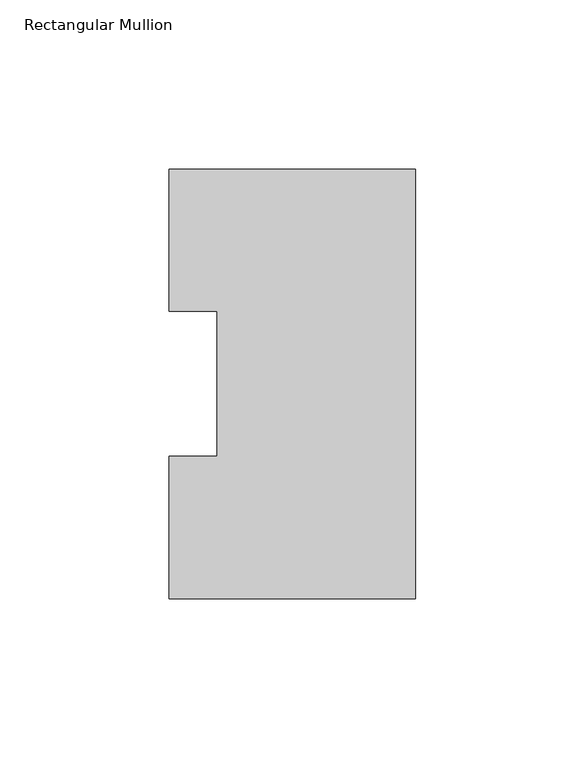
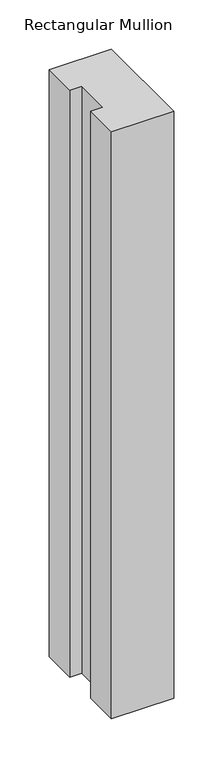
"""IFC4 building model written with IfcOpenShell, lengths in millimetres: member geometry, Rectangular Mullion."""

from ifc_helpers import new_model, si_unit, frame, origin, place, context, project, spatial, polyline, outline, extrude, source, transform, mapped, element, save


def rectangular_mullion_7aefb100(model_context):
    return source(origin(), model_context, "Body", "SweptSolid", [
        extrude(outline(polyline([(0.0, 127.006348), (0.0, 0.0063465), (-73.025, 0.0063465), (-73.025, 42.0814491), (-58.7375, 42.0814491), (-58.7375, 84.93125), (-73.025, 84.93125), (-73.025, 127.006348), (0.0, 127.006348)])), frame((0.0, 0.0, -730.21825), z_axis=(0.0, 0.0, 1.0), x_axis=(1.0, 0.0, 0.0)), (0.0, 0.0, 1.0), 730.21825),
    ])


if __name__ == "__main__":
    model = new_model("IFC4")
    model_context = context("Model", 3, world=origin())
    ifc_project = project(units=[si_unit("LENGTHUNIT", "METRE", prefix="MILLI")], contexts=[model_context])
    site = spatial("IfcSite", under=ifc_project)
    building = spatial("IfcBuilding", under=site)
    placement = place(None, origin())
    rectangular_mullion_shape = rectangular_mullion_7aefb100(model_context)
    element("IfcMember", 1, ObjectType="Rectangular Mullion", at=placement, inside=building, context=model_context, shape_type="MappedRepresentation", body=[
        mapped(rectangular_mullion_shape, transform((0.0, 0.0, 0.0), x_axis=(1.0, 0.0, 0.0), y_axis=(0.0, 1.0, 0.0), z_axis=(0.0, 0.0, 1.0))),
    ])
    save(model, "model.ifc")
